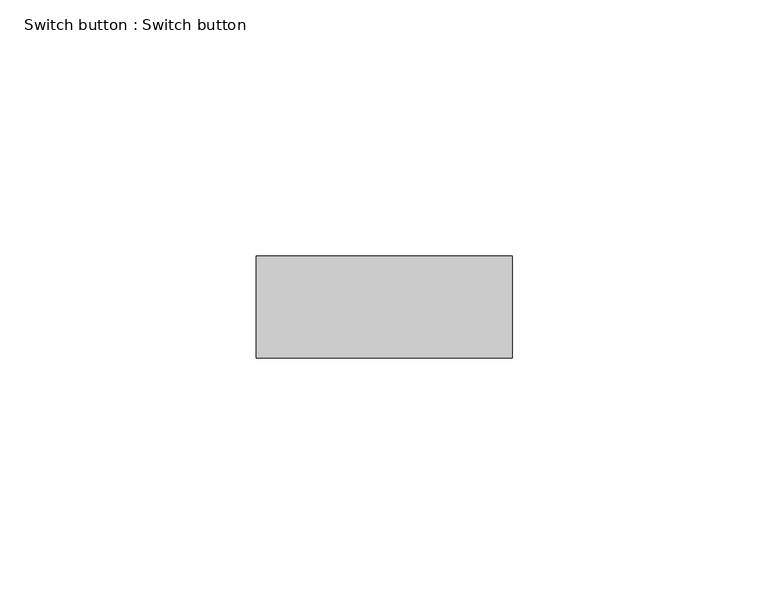
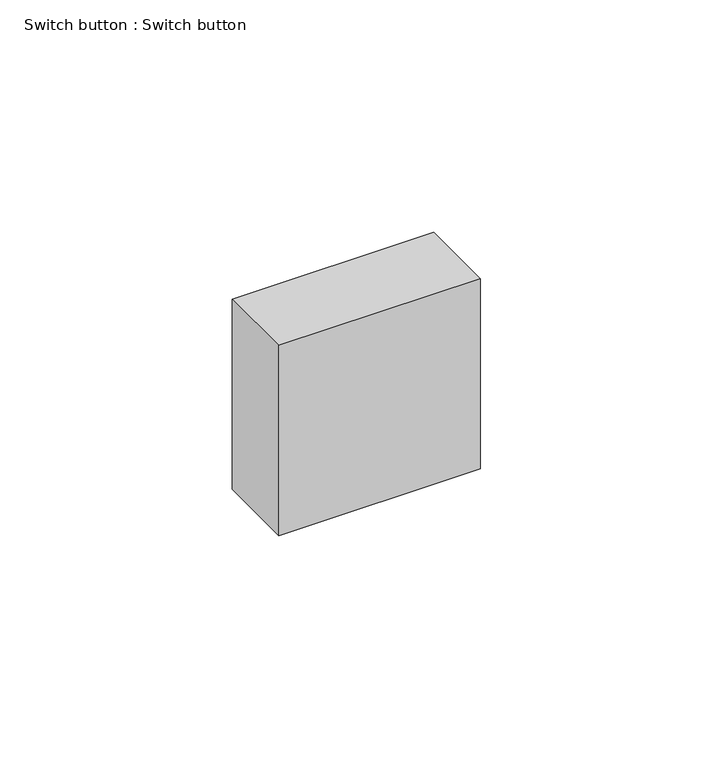
"""IFC4 building model written with IfcOpenShell, lengths in millimetres: switching device geometry, Switch button : Switch button."""

from ifc_helpers import new_model, si_unit, frame, origin, place, context, project, spatial, polyline, outline, extrude, source, transform, mapped, element, save


def switch_button_switch_button_f4d5262e(model_context):
    return source(origin(), model_context, "Body", "SweptSolid", [
        extrude(outline(polyline([(25.0, -20.0), (-25.0, -20.0), (-25.0, 0.0), (25.0, 0.0), (25.0, -20.0)])), frame((0.0, 0.0, -25.0), z_axis=(0.0, 0.0, 1.0), x_axis=(1.0, 0.0, 0.0)), (0.0, 0.0, 1.0), 50.0),
    ])


if __name__ == "__main__":
    model = new_model("IFC4")
    model_context = context("Model", 3, world=origin())
    ifc_project = project(units=[si_unit("LENGTHUNIT", "METRE", prefix="MILLI")], contexts=[model_context])
    site = spatial("IfcSite", under=ifc_project)
    building = spatial("IfcBuilding", under=site)
    placement = place(None, origin())
    switch_button_switch_button_shape = switch_button_switch_button_f4d5262e(model_context)
    element("IfcSwitchingDevice", 1, ObjectType="Switch button : Switch button", at=placement, inside=building, context=model_context, shape_type="MappedRepresentation", body=[
        mapped(switch_button_switch_button_shape, transform((0.0, 0.0, 0.0), x_axis=(1.0, 0.0, 0.0), y_axis=(0.0, 1.0, 0.0), z_axis=(0.0, 0.0, 1.0))),
    ])
    save(model, "model.ifc")
